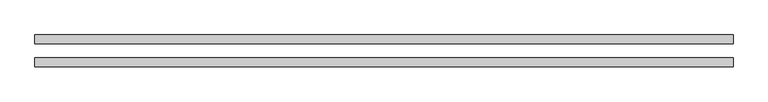
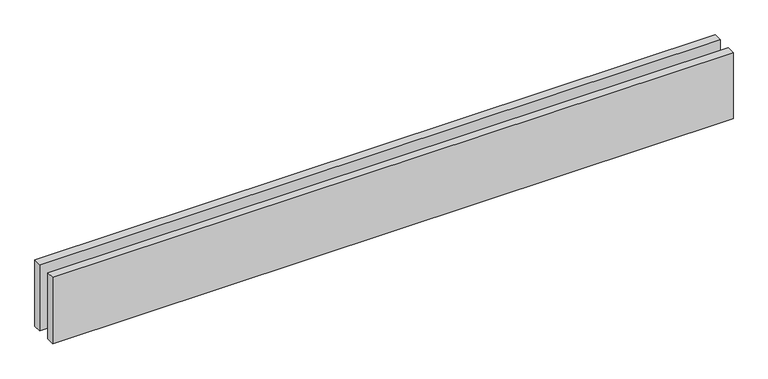
"""IFC4 building model written with IfcOpenShell, lengths in millimetres: proxy geometry."""

from ifc_helpers import new_model, si_unit, origin, origin_with_axes, place, context, project, spatial, polyline, outline, extrude, source, transform, mapped, element, save


def generic_models_49a294b0(model_context):
    return source(origin(), model_context, "Body", "SweptSolid", [
        extrude(outline(polyline([(2424.2640687, 25.0), (0.0, 25.0), (0.0, 55.0), (2424.2640687, 55.0), (2424.2640687, 25.0)])), origin_with_axes(), (0.0, 0.0, 1.0), 250.0),
        extrude(outline(polyline([(2424.2640687, -55.0), (0.0, -55.0), (0.0, -25.0), (2424.2640687, -25.0), (2424.2640687, -55.0)])), origin_with_axes(), (0.0, 0.0, 1.0), 250.0),
    ])


if __name__ == "__main__":
    model = new_model("IFC4")
    model_context = context("Model", 3, world=origin())
    ifc_project = project(units=[si_unit("LENGTHUNIT", "METRE", prefix="MILLI")], contexts=[model_context])
    site = spatial("IfcSite", under=ifc_project)
    building = spatial("IfcBuilding", under=site)
    placement = place(None, origin())
    generic_models_shape = generic_models_49a294b0(model_context)
    element("IfcBuildingElementProxy", 1, Name="Generic Models", at=placement, inside=building, context=model_context, shape_type="MappedRepresentation", body=[
        mapped(generic_models_shape, transform((0.0, 0.0, 0.0), x_axis=(1.0, 0.0, 0.0), y_axis=(0.0, 1.0, 0.0), z_axis=(0.0, 0.0, 1.0))),
    ])
    save(model, "model.ifc")
